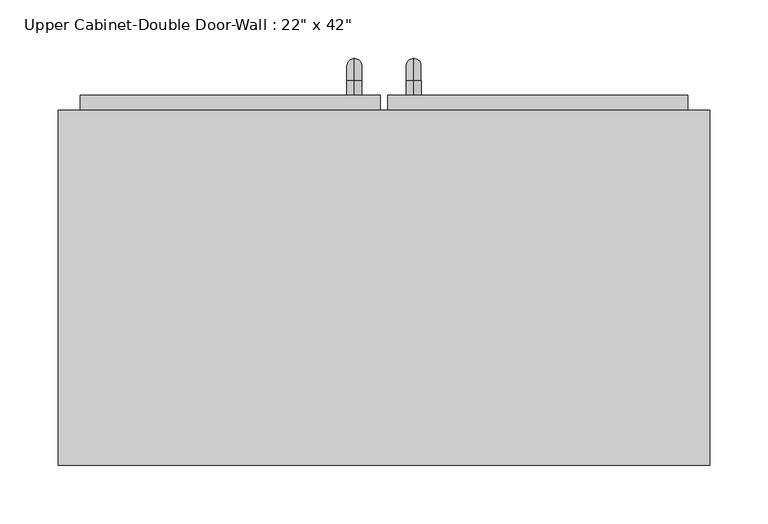
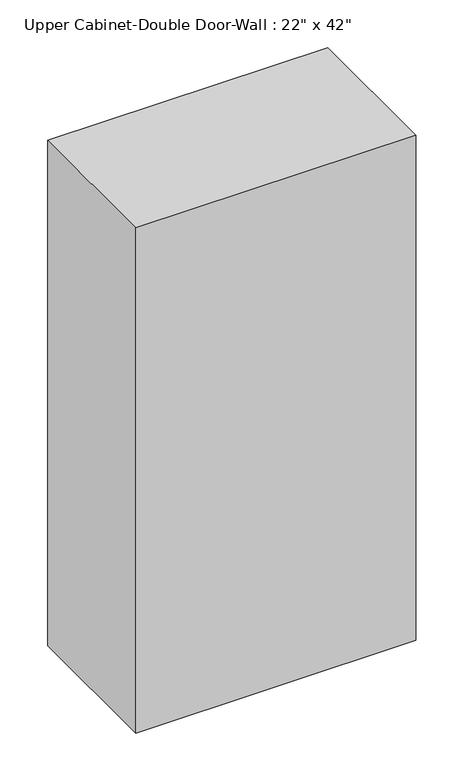
"""IFC4 building model written with IfcOpenShell, lengths in millimetres: furniture geometry."""

from ifc_helpers import new_model, si_unit, point, frame, origin, place, context, project, spatial, polyline, circle_curve, ellipse_curve, trimmed, outline, extrude, faceted_brep, source, transform, mapped, element, save
from ifc_brep_helpers import plane_surface, cylinder_surface, revolved_surface, advanced_brep


def furniture_84ad78cc(model_context):
    return source(origin(), model_context, "Body", "SolidModel", [
        faceted_brep([(-249.6288372, 61.9125, 2133.6), (-249.6288372, 61.9125, 1066.8), (309.1711628, 61.9125, 1066.8), (309.1711628, 61.9125, 2133.6), (-249.6288372, 366.7125, 2133.6), (309.1711628, 366.7125, 2133.6), (309.1711628, 366.7125, 1066.8), (-249.6288372, 366.7125, 1066.8), (-230.5788372, 366.7125, 2114.55), (-230.5788372, 366.7125, 1085.85), (290.1211628, 366.7125, 1085.85), (290.1211628, 366.7125, 2114.55), (290.1211628, 80.9625, 2114.55), (-230.5788372, 80.9625, 2114.55), (290.1211628, 80.9625, 1085.85), (-230.5788372, 80.9625, 1085.85)], [[[0, 1, 2, 3]], [[4, 5, 6, 7], [8, 9, 10, 11]], [[1, 0, 4, 7]], [[2, 1, 7, 6]], [[3, 2, 6, 5]], [[0, 3, 5, 4]], [[8, 11, 12, 13]], [[11, 10, 14, 12]], [[10, 9, 15, 14]], [[9, 8, 13, 15]], [[13, 12, 14, 15]]]),
        advanced_brep(
        [(55.1711628, 379.4125, 1212.85), (55.1711628, 379.4125, 1225.55), (55.1711628, 392.1125, 1212.85), (55.1711628, 392.1125, 1225.55), (55.1711628, 411.1625, 1206.5), (55.1711628, 398.4625, 1206.5), (55.1711628, 398.4625, 1130.3), (55.1711628, 411.1625, 1130.3), (55.1711628, 392.1125, 1111.25), (55.1711628, 392.1125, 1123.95), (55.1711628, 379.4125, 1123.95), (55.1711628, 379.4125, 1111.25)],
        [
            (0, 1, circle_curve(frame((55.1711628, 379.4125, 1219.2), z_axis=(0.0, -1.0, 0.0), x_axis=(0.0, 0.0, -1.0)), 6.35)),
            (1, 0, circle_curve(frame((55.1711628, 379.4125, 1219.2), z_axis=(0.0, -1.0, 0.0), x_axis=(0.0, 0.0, -1.0)), 6.35)),
            (0, 2),
            (2, 3, circle_curve(frame((55.1711628, 392.1125, 1219.2), z_axis=(0.0, -1.0, 0.0), x_axis=(0.0, 0.0, -1.0)), 6.35)),
            (3, 1),
            (3, 2, circle_curve(frame((55.1711628, 392.1125, 1219.2), z_axis=(0.0, -1.0, 0.0), x_axis=(0.0, 0.0, -1.0)), 6.35)),
            (4, 3, circle_curve(frame((55.1711628, 392.1125, 1206.5), z_axis=(1.0, 0.0, 0.0), x_axis=(0.0, 0.0, 1.0)), 19.05)),
            (2, 5, circle_curve(frame((55.1711628, 392.1125, 1206.5), z_axis=(-1.0, 0.0, 0.0), x_axis=(0.0, 0.0, 1.0)), 6.35)),
            (5, 4, circle_curve(frame((55.1711628, 404.8125, 1206.5), z_axis=(0.0, 0.0, 1.0), x_axis=(0.0, -1.0, 0.0)), 6.35)),
            (4, 5, circle_curve(frame((55.1711628, 404.8125, 1206.5), z_axis=(0.0, 0.0, 1.0), x_axis=(0.0, -1.0, 0.0)), 6.35)),
            (5, 6),
            (6, 7, circle_curve(frame((55.1711628, 404.8125, 1130.3), z_axis=(0.0, 0.0, 1.0), x_axis=(0.0, -1.0, 0.0)), 6.35)),
            (7, 4),
            (7, 6, circle_curve(frame((55.1711628, 404.8125, 1130.3), z_axis=(0.0, 0.0, 1.0), x_axis=(0.0, -1.0, 0.0)), 6.35)),
            (8, 7, circle_curve(frame((55.1711628, 392.1125, 1130.3), z_axis=(1.0, 0.0, 0.0), x_axis=(0.0, 1.0, 0.0)), 19.05)),
            (6, 9, circle_curve(frame((55.1711628, 392.1125, 1130.3), z_axis=(-1.0, 0.0, 0.0), x_axis=(0.0, 1.0, 0.0)), 6.35)),
            (9, 8, circle_curve(frame((55.1711628, 392.1125, 1117.6), z_axis=(0.0, 1.0, 0.0), x_axis=(0.0, 0.0, 1.0)), 6.35)),
            (8, 9, circle_curve(frame((55.1711628, 392.1125, 1117.6), z_axis=(0.0, 1.0, 0.0), x_axis=(0.0, 0.0, 1.0)), 6.35)),
            (10, 11, circle_curve(frame((55.1711628, 379.4125, 1117.6), z_axis=(0.0, -1.0, 0.0), x_axis=(0.0, 0.0, 1.0)), 6.35)),
            (11, 10, circle_curve(frame((55.1711628, 379.4125, 1117.6), z_axis=(0.0, -1.0, 0.0), x_axis=(0.0, 0.0, 1.0)), 6.35)),
            (9, 10),
            (11, 8),
        ],
        [
            plane_surface(frame((48.8211628, 379.4125, 1219.2), z_axis=(0.0, -1.0, 0.0), x_axis=(0.0, 0.0, 1.0))),
            cylinder_surface(frame((55.1711628, 379.4125, 1219.2), z_axis=(0.0, -1.0, 0.0), x_axis=(0.0, 0.0, -1.0)), 6.35),
            revolved_surface(trimmed(ellipse_curve(frame((55.1711628, 392.1125, 1219.2), z_axis=(0.0, -1.0, 0.0), x_axis=(0.0, 0.0, -1.0)), 6.35, 6.35), [point((55.1711628, 392.1125, 1212.85))], [point((55.1711628, 392.1125, 1225.55))], True, "CARTESIAN"), (55.1711628, 392.1125, 1206.5), (-1.0, 0.0, 0.0)),
            revolved_surface(trimmed(ellipse_curve(frame((55.1711628, 392.1125, 1219.2), z_axis=(0.0, -1.0, 0.0), x_axis=(0.0, 0.0, -1.0)), 6.35, 6.35), [point((55.1711628, 392.1125, 1225.55))], [point((55.1711628, 392.1125, 1212.85))], True, "CARTESIAN"), (55.1711628, 392.1125, 1206.5), (-1.0, 0.0, 0.0)),
            cylinder_surface(frame((55.1711628, 404.8125, 1206.5), z_axis=(0.0, 0.0, 1.0), x_axis=(0.0, -1.0, 0.0)), 6.35),
            revolved_surface(trimmed(ellipse_curve(frame((55.1711628, 404.8125, 1130.3), z_axis=(0.0, 0.0, 1.0), x_axis=(0.0, -1.0, 0.0)), 6.35, 6.35), [point((55.1711628, 398.4625, 1130.3))], [point((55.1711628, 411.1625, 1130.3))], True, "CARTESIAN"), (55.1711628, 392.1125, 1130.3), (-1.0, 0.0, 0.0)),
            revolved_surface(trimmed(ellipse_curve(frame((55.1711628, 404.8125, 1130.3), z_axis=(0.0, 0.0, 1.0), x_axis=(0.0, -1.0, 0.0)), 6.35, 6.35), [point((55.1711628, 411.1625, 1130.3))], [point((55.1711628, 398.4625, 1130.3))], True, "CARTESIAN"), (55.1711628, 392.1125, 1130.3), (-1.0, 0.0, 0.0)),
            plane_surface(frame((48.8211628, 379.4125, 1117.6), z_axis=(0.0, -1.0, 0.0), x_axis=(0.0, 0.0, -1.0))),
            cylinder_surface(frame((55.1711628, 392.1125, 1117.6), z_axis=(0.0, 1.0, 0.0), x_axis=(0.0, 0.0, 1.0)), 6.35),
        ],
        [
            (0, [[1, 2]]),
            (1, [[-1, 3, 4, 5]]),
            (1, [[-2, -5, 6, -3]]),
            (2, [[7, -4, 8, 9]]),
            (3, [[-8, -6, -7, 10]]),
            (4, [[-9, 11, 12, 13]]),
            (4, [[-10, -13, 14, -11]]),
            (5, [[15, -12, 16, 17]]),
            (6, [[-16, -14, -15, 18]]),
            (7, [[19, 20]]),
            (8, [[-17, 21, -20, 22]]),
            (8, [[-18, -22, -19, -21]]),
        ],
    ),
        advanced_brep(
        [(4.3711628, 379.4125, 1212.85), (4.3711628, 379.4125, 1225.55), (4.3711628, 392.1125, 1212.85), (4.3711628, 392.1125, 1225.55), (4.3711628, 411.1625, 1206.5), (4.3711628, 398.4625, 1206.5), (4.3711628, 398.4625, 1130.3), (4.3711628, 411.1625, 1130.3), (4.3711628, 392.1125, 1111.25), (4.3711628, 392.1125, 1123.95), (4.3711628, 379.4125, 1123.95), (4.3711628, 379.4125, 1111.25)],
        [
            (0, 1, circle_curve(frame((4.3711628, 379.4125, 1219.2), z_axis=(0.0, -1.0, 0.0), x_axis=(0.0, 0.0, 1.0)), 6.35)),
            (1, 0, circle_curve(frame((4.3711628, 379.4125, 1219.2), z_axis=(0.0, -1.0, 0.0), x_axis=(0.0, 0.0, 1.0)), 6.35)),
            (0, 2),
            (2, 3, circle_curve(frame((4.3711628, 392.1125, 1219.2), z_axis=(0.0, -1.0, 0.0), x_axis=(0.0, 0.0, 1.0)), 6.35)),
            (3, 1),
            (3, 2, circle_curve(frame((4.3711628, 392.1125, 1219.2), z_axis=(0.0, -1.0, 0.0), x_axis=(0.0, 0.0, 1.0)), 6.35)),
            (4, 3, circle_curve(frame((4.3711628, 392.1125, 1206.5), z_axis=(1.0, 0.0, 0.0), x_axis=(0.0, 0.0, 1.0)), 19.05)),
            (2, 5, circle_curve(frame((4.3711628, 392.1125, 1206.5), z_axis=(-1.0, 0.0, 0.0), x_axis=(0.0, 0.0, 1.0)), 6.35)),
            (5, 4, circle_curve(frame((4.3711628, 404.8125, 1206.5), z_axis=(0.0, 0.0, 1.0), x_axis=(0.0, 1.0, 0.0)), 6.35)),
            (4, 5, circle_curve(frame((4.3711628, 404.8125, 1206.5), z_axis=(0.0, 0.0, 1.0), x_axis=(0.0, 1.0, 0.0)), 6.35)),
            (5, 6),
            (6, 7, circle_curve(frame((4.3711628, 404.8125, 1130.3), z_axis=(0.0, 0.0, 1.0), x_axis=(0.0, 1.0, 0.0)), 6.35)),
            (7, 4),
            (7, 6, circle_curve(frame((4.3711628, 404.8125, 1130.3), z_axis=(0.0, 0.0, 1.0), x_axis=(0.0, 1.0, 0.0)), 6.35)),
            (8, 7, circle_curve(frame((4.3711628, 392.1125, 1130.3), z_axis=(1.0, 0.0, 0.0), x_axis=(0.0, 1.0, 0.0)), 19.05)),
            (6, 9, circle_curve(frame((4.3711628, 392.1125, 1130.3), z_axis=(-1.0, 0.0, 0.0), x_axis=(0.0, 1.0, 0.0)), 6.35)),
            (9, 8, circle_curve(frame((4.3711628, 392.1125, 1117.6), z_axis=(0.0, 1.0, 0.0), x_axis=(0.0, 0.0, -1.0)), 6.35)),
            (8, 9, circle_curve(frame((4.3711628, 392.1125, 1117.6), z_axis=(0.0, 1.0, 0.0), x_axis=(0.0, 0.0, -1.0)), 6.35)),
            (10, 11, circle_curve(frame((4.3711628, 379.4125, 1117.6), z_axis=(0.0, -1.0, 0.0), x_axis=(0.0, 0.0, -1.0)), 6.35)),
            (11, 10, circle_curve(frame((4.3711628, 379.4125, 1117.6), z_axis=(0.0, -1.0, 0.0), x_axis=(0.0, 0.0, -1.0)), 6.35)),
            (9, 10),
            (11, 8),
        ],
        [
            plane_surface(frame((-1.9788372, 379.4125, 1219.2), z_axis=(0.0, -1.0, 0.0), x_axis=(0.0, 0.0, 1.0))),
            cylinder_surface(frame((4.3711628, 379.4125, 1219.2), z_axis=(0.0, -1.0, 0.0), x_axis=(0.0, 0.0, 1.0)), 6.35),
            revolved_surface(trimmed(ellipse_curve(frame((4.3711628, 392.1125, 1219.2), z_axis=(0.0, -1.0, 0.0), x_axis=(0.0, 0.0, 1.0)), 6.35, 6.35), [point((4.3711628, 392.1125, 1212.85))], [point((4.3711628, 392.1125, 1225.55))], True, "CARTESIAN"), (4.3711628, 392.1125, 1206.5), (-1.0, 0.0, 0.0)),
            revolved_surface(trimmed(ellipse_curve(frame((4.3711628, 392.1125, 1219.2), z_axis=(0.0, -1.0, 0.0), x_axis=(0.0, 0.0, 1.0)), 6.35, 6.35), [point((4.3711628, 392.1125, 1225.55))], [point((4.3711628, 392.1125, 1212.85))], True, "CARTESIAN"), (4.3711628, 392.1125, 1206.5), (-1.0, 0.0, 0.0)),
            cylinder_surface(frame((4.3711628, 404.8125, 1206.5), z_axis=(0.0, 0.0, 1.0), x_axis=(0.0, 1.0, 0.0)), 6.35),
            revolved_surface(trimmed(ellipse_curve(frame((4.3711628, 404.8125, 1130.3), z_axis=(0.0, 0.0, 1.0), x_axis=(0.0, 1.0, 0.0)), 6.35, 6.35), [point((4.3711628, 398.4625, 1130.3))], [point((4.3711628, 411.1625, 1130.3))], True, "CARTESIAN"), (4.3711628, 392.1125, 1130.3), (-1.0, 0.0, 0.0)),
            revolved_surface(trimmed(ellipse_curve(frame((4.3711628, 404.8125, 1130.3), z_axis=(0.0, 0.0, 1.0), x_axis=(0.0, 1.0, 0.0)), 6.35, 6.35), [point((4.3711628, 411.1625, 1130.3))], [point((4.3711628, 398.4625, 1130.3))], True, "CARTESIAN"), (4.3711628, 392.1125, 1130.3), (-1.0, 0.0, 0.0)),
            plane_surface(frame((-1.9788372, 379.4125, 1117.6), z_axis=(0.0, -1.0, 0.0), x_axis=(0.0, 0.0, -1.0))),
            cylinder_surface(frame((4.3711628, 392.1125, 1117.6), z_axis=(0.0, 1.0, 0.0), x_axis=(0.0, 0.0, -1.0)), 6.35),
        ],
        [
            (0, [[1, 2]]),
            (1, [[-1, 3, 4, 5]]),
            (1, [[-2, -5, 6, -3]]),
            (2, [[7, -4, 8, 9]]),
            (3, [[-8, -6, -7, 10]]),
            (4, [[-9, 11, 12, 13]]),
            (4, [[-10, -13, 14, -11]]),
            (5, [[15, -12, 16, 17]]),
            (6, [[-16, -14, -15, 18]]),
            (7, [[19, 20]]),
            (8, [[-17, 21, -20, 22]]),
            (8, [[-18, -22, -19, -21]]),
        ],
    ),
        extrude(outline(polyline([(32.9461628, 379.4125), (290.1211628, 379.4125), (290.1211628, 347.6625), (32.9461628, 347.6625), (32.9461628, 379.4125)])), frame((0.0, 0.0, 1085.85), z_axis=(0.0, 0.0, 1.0), x_axis=(1.0, 0.0, 0.0)), (0.0, 0.0, 1.0), 1028.7),
        extrude(outline(polyline([(-230.5788372, 379.4125), (26.5961628, 379.4125), (26.5961628, 347.6625), (-230.5788372, 347.6625), (-230.5788372, 379.4125)])), frame((0.0, 0.0, 1085.85), z_axis=(0.0, 0.0, 1.0), x_axis=(1.0, 0.0, 0.0)), (0.0, 0.0, 1.0), 1028.7),
    ])


if __name__ == "__main__":
    model = new_model("IFC4")
    model_context = context("Model", 3, world=origin())
    ifc_project = project(units=[si_unit("LENGTHUNIT", "METRE", prefix="MILLI")], contexts=[model_context])
    site = spatial("IfcSite", under=ifc_project)
    building = spatial("IfcBuilding", under=site)
    placement = place(None, origin())
    furniture_shape = furniture_84ad78cc(model_context)
    element("IfcFurniture", 1, ObjectType="Upper Cabinet-Double Door-Wall : 22\" x 42\"", at=placement, inside=building, context=model_context, shape_type="MappedRepresentation", body=[
        mapped(furniture_shape, transform((0.0, 0.0, 0.0), x_axis=(1.0, 0.0, 0.0), y_axis=(0.0, 1.0, 0.0), z_axis=(0.0, 0.0, 1.0))),
    ])
    save(model, "model.ifc")
